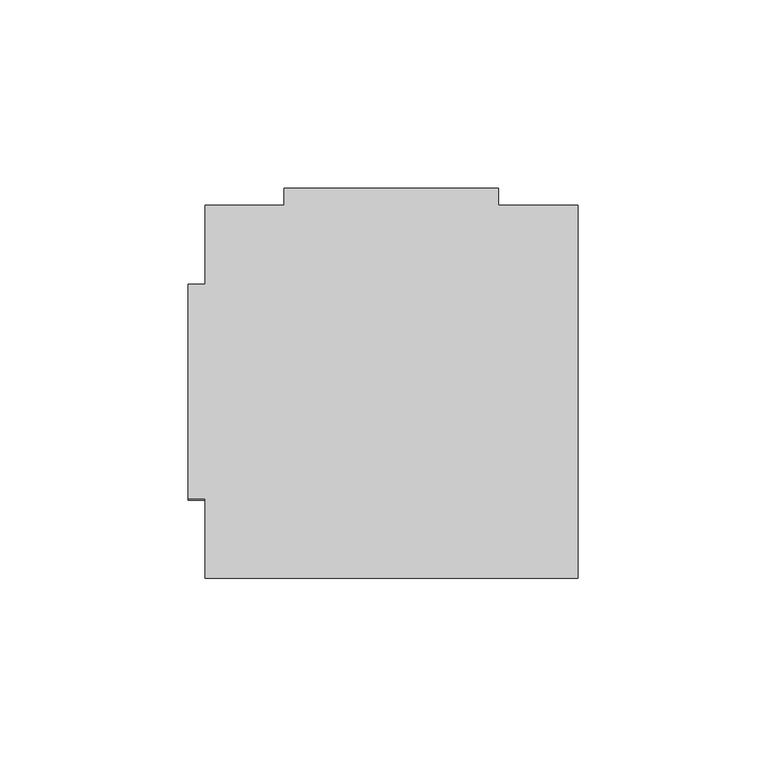
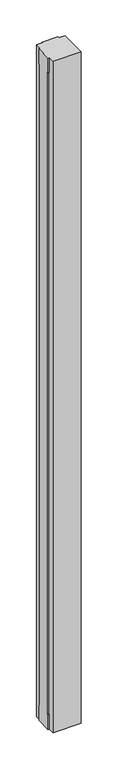
"""IFC4 building model written with IfcOpenShell, lengths in millimetres: furniture geometry."""

from ifc_helpers import new_model, si_unit, origin, place, context, project, spatial, faceted_brep, source, transform, mapped, element, save


def furniture_a6cd6142(model_context):
    return source(origin(), model_context, "Body", "Brep", [
        faceted_brep([(79.121, 307.975, 55.118), (82.423, 307.975, 55.118), (82.423, 307.975, 0.0), (25.527, 307.975, 0.0), (25.527, 307.975, 55.118), (28.829, 307.975, 55.118), (28.829, 307.975, 2446.782), (25.527, 307.975, 2446.782), (25.527, 307.975, 2501.9), (82.423, 307.975, 2501.9), (82.423, 307.975, 2446.782), (79.121, 307.975, 2446.782), (79.121, 303.4792, 2446.782), (79.121, 303.4792, 55.118), (82.423, 303.4792, 2446.782), (82.423, 303.4792, 2501.9), (25.527, 303.4792, 2501.9), (4.4958, 303.4792, 2501.9), (4.4958, 282.448, 2501.9), (0.0, 282.448, 2501.9), (0.0, 225.552, 2501.9), (4.4958, 225.552, 2501.9), (4.4958, 204.5208, 2501.9), (103.4542, 204.5208, 2501.9), (103.4542, 303.4792, 2501.9), (25.527, 303.4792, 2446.782), (28.829, 303.4792, 2446.782), (28.829, 303.4792, 55.118), (25.527, 303.4792, 55.118), (25.527, 303.4792, 0.0), (82.423, 303.4792, 0.0), (103.4542, 303.4792, 0.0), (103.4542, 204.5208, 0.0), (4.4958, 204.5208, 0.0), (4.4958, 225.552, 0.0), (0.0, 225.552, 0.0), (0.0, 282.448, 0.0), (4.4958, 282.448, 0.0), (4.4958, 303.4792, 0.0), (82.423, 303.4792, 55.118), (4.4958, 225.552, 2446.782), (4.4958, 228.854, 2446.782), (4.4958, 228.854, 55.118), (4.4958, 225.552, 55.118), (4.4958, 282.448, 55.118), (4.4958, 279.146, 55.118), (4.4958, 279.146, 2446.782), (4.4958, 282.448, 2446.782), (0.0, 228.854, 55.118), (0.0, 228.854, 2446.782), (0.0, 225.552, 2446.782), (0.0, 282.448, 2446.782), (0.0, 279.146, 2446.782), (0.0, 279.146, 55.118), (0.0, 282.448, 55.118), (0.0, 225.552, 55.118)], [[[0, 1, 2, 3, 4, 5, 6, 7, 8, 9, 10, 11]], [[11, 12, 13, 0]], [[10, 14, 12, 11]], [[9, 15, 14, 10]], [[8, 16, 17, 18, 19, 20, 21, 22, 23, 24, 15, 9]], [[7, 25, 16, 8]], [[6, 26, 25, 7]], [[5, 27, 26, 6]], [[4, 28, 27, 5]], [[3, 29, 28, 4]], [[2, 30, 31, 32, 33, 34, 35, 36, 37, 38, 29, 3]], [[1, 39, 30, 2]], [[0, 13, 39, 1]], [[22, 33, 32, 23]], [[22, 21, 40, 41, 42, 43, 34, 33]], [[38, 37, 44, 45, 46, 47, 18, 17]], [[17, 16, 25, 26, 27, 28, 29, 38]], [[31, 30, 39, 13, 12, 14, 15, 24]], [[23, 32, 31, 24]], [[48, 49, 50, 20, 19, 51, 52, 53, 54, 36, 35, 55]], [[48, 42, 41, 49]], [[49, 41, 40, 50]], [[50, 40, 21, 20]], [[19, 18, 47, 51]], [[51, 47, 46, 52]], [[52, 46, 45, 53]], [[53, 45, 44, 54]], [[54, 44, 37, 36]], [[35, 34, 43, 55]], [[55, 43, 42, 48]]]),
    ])


if __name__ == "__main__":
    model = new_model("IFC4")
    model_context = context("Model", 3, world=origin())
    ifc_project = project(units=[si_unit("LENGTHUNIT", "METRE", prefix="MILLI")], contexts=[model_context])
    site = spatial("IfcSite", under=ifc_project)
    building = spatial("IfcBuilding", under=site)
    placement = place(None, origin())
    furniture_shape = furniture_a6cd6142(model_context)
    element("IfcFurniture", 1, at=placement, inside=building, context=model_context, shape_type="MappedRepresentation", body=[
        mapped(furniture_shape, transform((0.0, 0.0, 0.0), x_axis=(1.0, 0.0, 0.0), y_axis=(0.0, 1.0, 0.0), z_axis=(0.0, 0.0, 1.0))),
    ])
    save(model, "model.ifc")
